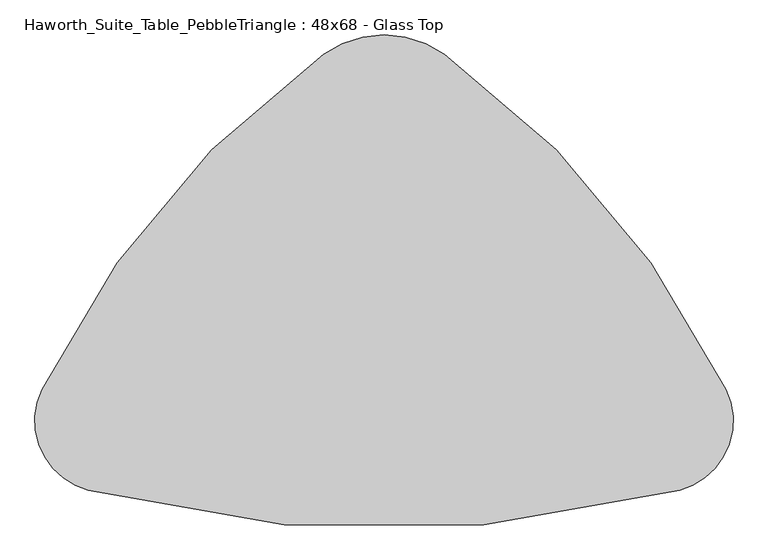
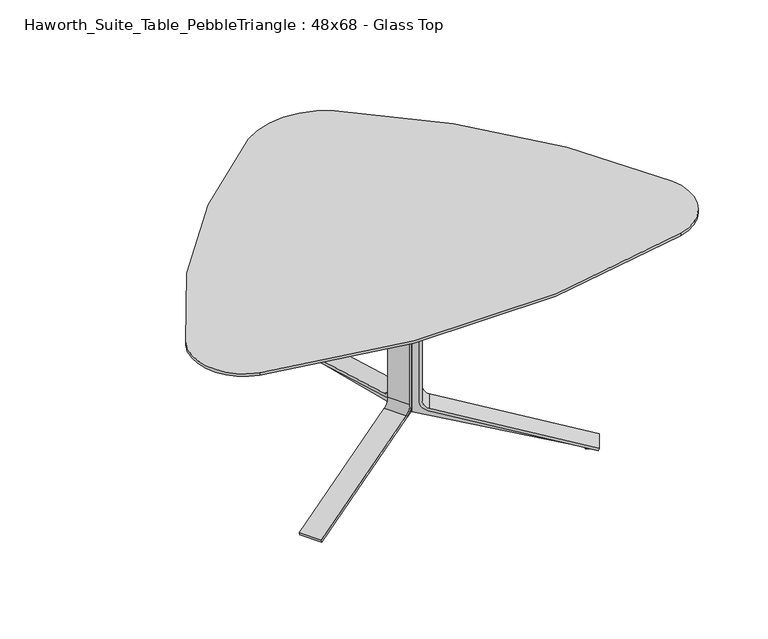
"""IFC4 building model written with IfcOpenShell, lengths in millimetres: furniture geometry, Haworth_Suite_Table_PebbleTriangle : 48x68 - Glass Top."""

from ifc_helpers import new_model, si_unit, point, frame, frame_2d, origin, place, context, project, spatial, polyline, circle_curve, trimmed, segment, composite_curve, outline, extrude, source, transform, mapped, element, save


def haworth_suite_table_pebbletriangle_48x68_glass_top_2288e959(model_context):
    return source(origin(), model_context, "Body", "SweptSolid", [
        extrude(outline(composite_curve([segment(polyline([(-269.3436324, 0.0), (-295.5330754, 5.8726591), (-44.1875449, 20.7494046)]), True, "CONTINUOUS"), segment(trimmed(circle_curve(frame_2d((-46.438684, 58.7828422)), 38.1), [point((-44.1875449, 20.7494046))], [point((-9.2618925, 50.446406))], True, "CARTESIAN"), True, "CONTINUOUS"), segment(polyline([(-9.2618925, 50.446406), (82.3027309, 458.7838346)]), True, "CONTINUOUS"), segment(trimmed(circle_curve(frame_2d((45.1259393, 467.1202708)), 38.1), [point((82.3027309, 458.7838346))], [point((63.4019806, 500.5507407))], True, "CARTESIAN"), True, "CONTINUOUS"), segment(polyline([(63.4019806, 500.5507407), (-393.0670035, 750.0969211), (-391.6775969, 756.2930555), (-363.1013705, 749.8851897), (-364.1289314, 745.3027257), (112.9884974, 503.8783626), (0.0, 0.0), (-269.3436324, 0.0)]), True, "CONTINUOUS")], self_intersect=False)), frame((-15.5441472, -673.435421, 652.2665091), z_axis=(-0.49999999999999856, 0.8660254037844395, 0.0), x_axis=(0.8450405756685904, 0.4878844038384151, -0.21880409951582677)), (0.0, 0.0, 1.0), 47.625),
        extrude(outline(composite_curve([segment(polyline([(27.4680529, -36.4513375), (174.0095606, 474.5996329), (183.1655841, 471.9741854), (36.3672848, -39.0934672)]), True, "CONTINUOUS"), segment(trimmed(circle_curve(frame_2d((-0.2519977, -28.575)), 38.1), [point((36.3672848, -39.0934672))], [point((-0.2519977, -66.675))], False, "CARTESIAN"), True, "CONTINUOUS"), segment(polyline([(-0.2519977, -66.675), (-418.7296385, -66.675)]), True, "CONTINUOUS"), segment(trimmed(circle_curve(frame_2d((-418.7296385, -28.575)), 38.1), [point((-418.7296385, -66.675))], [point((-455.3489221, -39.0934634))], False, "CARTESIAN"), True, "CONTINUOUS"), segment(polyline([(-455.3489221, -39.0934634), (-523.3798781, 197.7514787)]), True, "CONTINUOUS"), segment(trimmed(circle_curve(frame_2d((-486.7605946, 208.2699421)), 38.1), [point((-523.3798781, 197.7514787))], [point((-524.8605946, 208.2699421))], False, "CARTESIAN"), True, "CONTINUOUS"), segment(polyline([(-524.8605946, 208.2699421), (-524.8605946, 303.1768115), (-515.3355946, 303.1768115), (-515.3355946, 210.0197483)]), True, "CONTINUOUS"), segment(trimmed(circle_curve(frame_2d((-477.2355946, 210.0197483)), 38.1), [point((-515.3355946, 210.0197483))], [point((-513.8596652, 199.5179651))], True, "CARTESIAN"), True, "CONTINUOUS"), segment(polyline([(-513.8596652, 199.5179651), (-446.1965565, -36.4513375)]), True, "CONTINUOUS"), segment(trimmed(circle_curve(frame_2d((-418.7285036, -28.575)), 28.575), [point((-446.1965565, -36.4513375))], [point((-418.7285036, -57.15))], True, "CARTESIAN"), True, "CONTINUOUS"), segment(polyline([(-418.7285036, -57.15), (0.0, -57.15)]), True, "CONTINUOUS"), segment(trimmed(circle_curve(frame_2d((0.0, -28.575)), 28.575), [point((0.0, -57.15))], [point((27.4680529, -36.4513375))], True, "CARTESIAN"), True, "CONTINUOUS")], self_intersect=False)), frame((-83.5284008, -729.1839321, 186.3393812), z_axis=(-0.4999999999999986, 0.8660254037844395, 0.0), x_axis=(0.0, 0.0, -1.0)), (0.0, 0.0, 1.0), 76.2),
        extrude(outline(composite_curve([segment(polyline([(-269.3436324, 0.0), (0.0, 0.0), (112.9884974, -503.8783626), (-364.1289314, -745.3027257), (-363.1013705, -749.8851897), (-391.6775969, -756.2930555), (-393.0670035, -750.0969211), (63.4019806, -500.5507407)]), True, "CONTINUOUS"), segment(trimmed(circle_curve(frame_2d((45.1259393, -467.1202708)), 38.1), [point((63.4019806, -500.5507407))], [point((82.3027309, -458.7838346))], True, "CARTESIAN"), True, "CONTINUOUS"), segment(polyline([(82.3027309, -458.7838346), (-9.2618925, -50.446406)]), True, "CONTINUOUS"), segment(trimmed(circle_curve(frame_2d((-46.438684, -58.7828422)), 38.1), [point((-9.2618925, -50.446406))], [point((-44.1875449, -20.7494046))], True, "CARTESIAN"), True, "CONTINUOUS"), segment(polyline([(-44.1875449, -20.7494046), (-295.5330754, -5.8726591), (-269.3436324, 0.0)]), True, "CONTINUOUS")], self_intersect=False)), frame((-9.8558528, -673.435421, 652.2665091), z_axis=(0.49999999999999856, 0.8660254037844395, 0.0), x_axis=(-0.8450405756685904, 0.4878844038384151, -0.21880409951582677)), (0.0, 0.0, 1.0), 47.625),
        extrude(outline(composite_curve([segment(trimmed(circle_curve(frame_2d((0.0, 28.575)), 28.575), [point((27.4680529, 36.4513375))], [point((0.0, 57.15))], True, "CARTESIAN"), True, "CONTINUOUS"), segment(polyline([(0.0, 57.15), (-418.7285036, 57.15)]), True, "CONTINUOUS"), segment(trimmed(circle_curve(frame_2d((-418.7285036, 28.575)), 28.575), [point((-418.7285036, 57.15))], [point((-446.1965565, 36.4513375))], True, "CARTESIAN"), True, "CONTINUOUS"), segment(polyline([(-446.1965565, 36.4513375), (-513.8596652, -199.5179651)]), True, "CONTINUOUS"), segment(trimmed(circle_curve(frame_2d((-477.2355946, -210.0197483)), 38.1), [point((-513.8596652, -199.5179651))], [point((-515.3355946, -210.0197483))], True, "CARTESIAN"), True, "CONTINUOUS"), segment(polyline([(-515.3355946, -210.0197483), (-515.3355946, -303.1768115), (-524.8605946, -303.1768115), (-524.8605946, -208.2699421)]), True, "CONTINUOUS"), segment(trimmed(circle_curve(frame_2d((-486.7605946, -208.2699421)), 38.1), [point((-524.8605946, -208.2699421))], [point((-523.3798781, -197.7514787))], False, "CARTESIAN"), True, "CONTINUOUS"), segment(polyline([(-523.3798781, -197.7514787), (-455.3489221, 39.0934634)]), True, "CONTINUOUS"), segment(trimmed(circle_curve(frame_2d((-418.7296385, 28.575)), 38.1), [point((-455.3489221, 39.0934634))], [point((-418.7296385, 66.675))], False, "CARTESIAN"), True, "CONTINUOUS"), segment(polyline([(-418.7296385, 66.675), (-0.2519977, 66.675)]), True, "CONTINUOUS"), segment(trimmed(circle_curve(frame_2d((-0.2519977, 28.575)), 38.1), [point((-0.2519977, 66.675))], [point((36.3672848, 39.0934672))], False, "CARTESIAN"), True, "CONTINUOUS"), segment(polyline([(36.3672848, 39.0934672), (183.1655841, -471.9741854), (174.0095606, -474.5996329), (27.4680529, 36.4513375)]), True, "CONTINUOUS")], self_intersect=False)), frame((58.1284008, -729.1839321, 186.3393812), z_axis=(0.4999999999999986, 0.8660254037844395, 0.0), x_axis=(0.0, 0.0, -1.0)), (0.0, 0.0, 1.0), 76.2),
        extrude(outline(composite_curve([segment(polyline([(-364.4476386, 711.2), (-337.6078352, 711.2), (-579.6078709, 641.6883033)]), True, "CONTINUOUS"), segment(trimmed(circle_curve(frame_2d((-569.0894074, 605.0690197)), 38.1), [point((-579.6078709, 641.6883033))], [point((-607.1894074, 605.0690197))], True, "CARTESIAN"), True, "CONTINUOUS"), segment(polyline([(-607.1894074, 605.0690197), (-607.1894074, 186.5913789)]), True, "CONTINUOUS"), segment(trimmed(circle_curve(frame_2d((-569.0894074, 186.5913789)), 38.1), [point((-607.1894074, 186.5913789))], [point((-579.6078747, 149.9720964))], True, "CARTESIAN"), True, "CONTINUOUS"), segment(polyline([(-579.6078747, 149.9720964), (-79.5979509, 6.3500025), (-79.5979509, 0.0), (-108.8838087, 0.0), (-108.8838087, 4.69626), (-627.2647536, 135.8753736), (-627.2647536, 652.2665091), (-364.4476386, 711.2)]), True, "CONTINUOUS")], self_intersect=False)), frame((-36.5125, 0.0, 0.0), z_axis=(1.0, 0.0, 0.0), x_axis=(0.0, 1.0, 0.0)), (0.0, 0.0, 1.0), 47.625),
        extrude(outline(composite_curve([segment(polyline([(-576.9657449, 158.8713283), (-65.9147745, 12.3298206), (-68.540222, 3.1737971), (-579.6078747, 149.9720964)]), True, "CONTINUOUS"), segment(trimmed(circle_curve(frame_2d((-569.0894074, 186.5913789)), 38.1), [point((-579.6078747, 149.9720964))], [point((-607.1894074, 186.5913789))], False, "CARTESIAN"), True, "CONTINUOUS"), segment(polyline([(-607.1894074, 186.5913789), (-607.1894074, 605.0690197)]), True, "CONTINUOUS"), segment(trimmed(circle_curve(frame_2d((-569.0894074, 605.0690197)), 38.1), [point((-607.1894074, 605.0690197))], [point((-579.6078709, 641.6883033))], False, "CARTESIAN"), True, "CONTINUOUS"), segment(polyline([(-579.6078709, 641.6883033), (-342.7629288, 709.7192593)]), True, "CONTINUOUS"), segment(trimmed(circle_curve(frame_2d((-332.2444653, 673.0999758)), 38.1), [point((-342.7629288, 709.7192593))], [point((-332.2444653, 711.1999758))], False, "CARTESIAN"), True, "CONTINUOUS"), segment(polyline([(-332.2444653, 711.1999758), (-237.3375959, 711.1999758), (-237.3375959, 701.6749758), (-330.4946591, 701.6749758)]), True, "CONTINUOUS"), segment(trimmed(circle_curve(frame_2d((-330.4946591, 663.5749758)), 38.1), [point((-330.4946591, 701.6749758))], [point((-340.9964424, 700.1990464))], True, "CARTESIAN"), True, "CONTINUOUS"), segment(polyline([(-340.9964424, 700.1990464), (-576.9657449, 632.5359377)]), True, "CONTINUOUS"), segment(trimmed(circle_curve(frame_2d((-569.0894074, 605.0678848)), 28.575), [point((-576.9657449, 632.5359377))], [point((-597.6644074, 605.0678848))], True, "CARTESIAN"), True, "CONTINUOUS"), segment(polyline([(-597.6644074, 605.0678848), (-597.6644074, 186.3393812)]), True, "CONTINUOUS"), segment(trimmed(circle_curve(frame_2d((-569.0894074, 186.3393812)), 28.575), [point((-597.6644074, 186.3393812))], [point((-576.9657449, 158.8713283))], True, "CARTESIAN"), True, "CONTINUOUS")], self_intersect=False)), frame((-50.8, 0.0, 0.0), z_axis=(1.0, 0.0, 0.0), x_axis=(0.0, 1.0, 0.0)), (0.0, 0.0, 1.0), 76.2),
        extrude(outline(composite_curve([segment(trimmed(circle_curve(frame_2d((1100.2160645, -1701.357716)), 2110.2079312), [point((-792.3394683, -767.9708357))], [point((-147.9102147, 0.1587559))], False, "CARTESIAN"), True, "CONTINUOUS"), segment(trimmed(circle_curve(frame_2d((-12.7, -184.1674708)), 228.6), [point((-147.9102147, 0.1587559))], [point((122.5102147, 0.1587559))], False, "CARTESIAN"), True, "CONTINUOUS"), segment(trimmed(circle_curve(frame_2d((-1125.6160645, -1701.357716)), 2110.2079312), [point((122.5102147, 0.1587559))], [point((766.9124695, -767.9160943))], False, "CARTESIAN"), True, "CONTINUOUS"), segment(trimmed(circle_curve(frame_2d((630.2333563, -835.3295947)), 152.4), [point((766.9124695, -767.9160943))], [point((669.5010307, -982.5838298))], False, "CARTESIAN"), True, "CONTINUOUS"), segment(trimmed(circle_curve(frame_2d((-12.8077672, 1576.0820917)), 2648.0779054), [point((669.5010307, -982.5838298))], [point((-694.9144475, -982.6377191))], False, "CARTESIAN"), True, "CONTINUOUS"), segment(trimmed(circle_curve(frame_2d((-655.6584053, -835.3803826)), 152.4), [point((-694.9144475, -982.6377191))], [point((-792.3394683, -767.9708357))], False, "CARTESIAN"), True, "CONTINUOUS")], self_intersect=False)), frame((0.0, 0.0, 711.2), z_axis=(0.0, 0.0, 1.0), x_axis=(1.0, 0.0, 0.0)), (0.0, 0.0, 1.0), 28.575),
        extrude(outline(composite_curve([segment(trimmed(circle_curve(frame_2d((1131.0937459, -1744.6562166)), 2209.8), [point((-855.9960349, -777.8624211))], [point((-161.2446423, 47.8497193))], False, "CARTESIAN"), True, "CONTINUOUS"), segment(trimmed(circle_curve(frame_2d((-12.7, -158.1854457)), 254.0), [point((-161.2446423, 47.8497193))], [point((135.8446423, 47.8497193))], False, "CARTESIAN"), True, "CONTINUOUS"), segment(trimmed(circle_curve(frame_2d((-1156.4937459, -1744.6562166)), 2209.8), [point((135.8446423, 47.8497193))], [point((830.596031, -777.8624132))], False, "CARTESIAN"), True, "CONTINUOUS"), segment(trimmed(circle_curve(frame_2d((670.7152444, -855.6504204)), 177.8), [point((830.596031, -777.8624132))], [point((716.7143484, -1027.3971013))], False, "CARTESIAN"), True, "CONTINUOUS"), segment(trimmed(circle_curve(frame_2d((-12.7000155, 1696.0145543)), 2819.4), [point((716.7143484, -1027.3971013))], [point((-742.1143502, -1027.3971092))], False, "CARTESIAN"), True, "CONTINUOUS"), segment(trimmed(circle_curve(frame_2d((-696.115248, -855.6504277)), 177.8), [point((-742.1143502, -1027.3971092))], [point((-855.9960349, -777.8624211))], False, "CARTESIAN"), True, "CONTINUOUS")], self_intersect=False)), frame((0.0, 0.0, 739.775), z_axis=(0.0, 0.0, 1.0), x_axis=(1.0, 0.0, 0.0)), (0.0, 0.0, 1.0), 9.525),
    ])


if __name__ == "__main__":
    model = new_model("IFC4")
    model_context = context("Model", 3, world=origin())
    ifc_project = project(units=[si_unit("LENGTHUNIT", "METRE", prefix="MILLI")], contexts=[model_context])
    site = spatial("IfcSite", under=ifc_project)
    building = spatial("IfcBuilding", under=site)
    placement = place(None, origin())
    haworth_suite_table_pebbletriangle_48x68_glass_top_shape = haworth_suite_table_pebbletriangle_48x68_glass_top_2288e959(model_context)
    element("IfcFurniture", 1, ObjectType="Haworth_Suite_Table_PebbleTriangle : 48x68 - Glass Top", at=placement, inside=building, context=model_context, shape_type="MappedRepresentation", body=[
        mapped(haworth_suite_table_pebbletriangle_48x68_glass_top_shape, transform((0.0, 0.0, 0.0), x_axis=(1.0, 0.0, 0.0), y_axis=(0.0, 1.0, 0.0), z_axis=(0.0, 0.0, 1.0))),
    ])
    save(model, "model.ifc")
